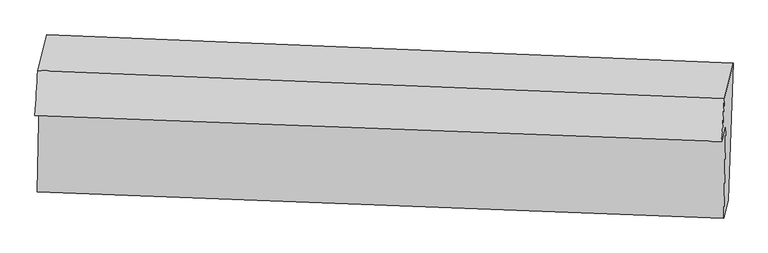
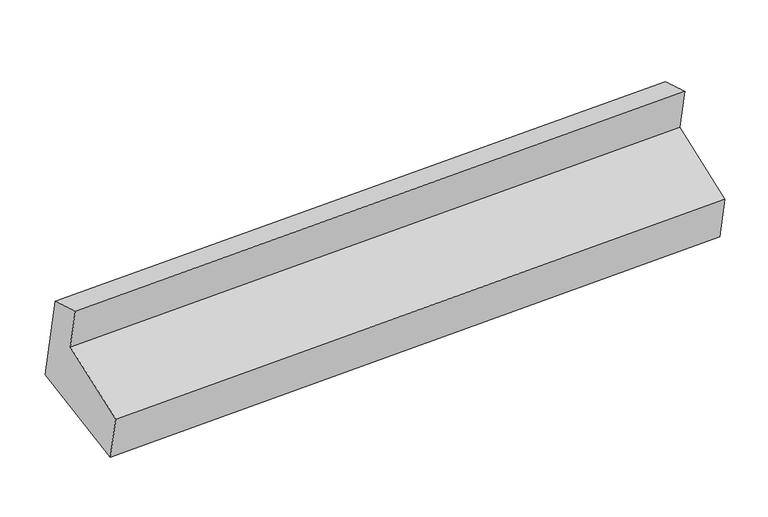
"""IFC4 building model written with IfcOpenShell, lengths in millimetres: proxy geometry."""

import ifcopenshell
import ifcopenshell.guid

model = None  # the IFC model being written
_history = None  # IfcOwnerHistory: only IFC2X3 demands one
_inside = {}  # id of a spatial element -> (the spatial element, [elements in it])
_under = {}  # id of a project, library or spatial element -> (it, [spatial elements below it])
_declared = {}  # id of a project -> (the project, [libraries it declares])
_typed = {}  # id of a type object -> (the type object, [elements of that type])
_made_of = {}  # id of a material, layer set ... -> (it, [elements and type objects made of it])


def new_model(schema):
    """Start an empty IFC model of exactly this schema.

    Asked for "IFC4X3", IfcOpenShell would pick the latest addendum, in which some entities
    have other attributes; the version numbers below select the first issue.
    IFC2X3 requires an IfcOwnerHistory on every rooted entity: one is made here for all.
    """
    global model, _history
    if schema == "IFC4X3":
        model = ifcopenshell.file(schema_version=(4, 3, 0, 0))
    else:
        model = ifcopenshell.file(schema=schema)
    _inside.clear()
    _under.clear()
    _declared.clear()
    _typed.clear()
    _made_of.clear()
    _history = None
    if model.schema == "IFC2X3":
        org = make("IfcOrganization", Name="unknown")
        user = make(
            "IfcPersonAndOrganization",
            ThePerson=make("IfcPerson", FamilyName="unknown"),
            TheOrganization=org,
        )
        app = make(
            "IfcApplication",
            ApplicationDeveloper=org,
            Version="unknown",
            ApplicationFullName="unknown",
            ApplicationIdentifier="unknown",
        )
        _history = make(
            "IfcOwnerHistory",
            OwningUser=user,
            OwningApplication=app,
            ChangeAction="ADDED",
            CreationDate=0,
        )
    return model


def make(cls, **values):
    """One entity of the class cls with the attributes given. An attribute that is None is left unset."""
    return model.create_entity(
        cls, **{name: value for name, value in values.items() if value is not None}
    )


def rooted(cls, **values):
    """An entity with a GlobalId (a new one), such as an element, a storey or a relation."""
    return make(cls, GlobalId=ifcopenshell.guid.new(), OwnerHistory=_history, **values)


def si_unit(unit_type, name, prefix=None):
    """IfcSIUnit, for example si_unit("LENGTHUNIT", "METRE", prefix="MILLI")."""
    return make("IfcSIUnit", UnitType=unit_type, Prefix=prefix, Name=name)


def assignment(units):
    """IfcUnitAssignment: the units of a project."""
    return None if units is None else make("IfcUnitAssignment", Units=units)


def point(xyz):
    """IfcCartesianPoint."""
    return None if xyz is None else make("IfcCartesianPoint", Coordinates=xyz)


def direction(xyz):
    """IfcDirection."""
    return None if xyz is None else make("IfcDirection", DirectionRatios=xyz)


def frame(location, z_axis=None, x_axis=None):
    """IfcAxis2Placement3D, a coordinate frame: its origin and axes. An axis left out is left unset."""
    return make(
        "IfcAxis2Placement3D",
        Location=point(location),
        Axis=direction(z_axis),
        RefDirection=direction(x_axis),
    )


def origin():
    """The frame at (0, 0, 0) with its axes left unset."""
    return frame((0.0, 0.0, 0.0))


def place(relative_to, where):
    """IfcLocalPlacement: puts the frame where relative to a parent placement (None: the world)."""
    return make(
        "IfcLocalPlacement", PlacementRelTo=relative_to, RelativePlacement=where
    )


def context(
    kind, dimensions, precision=None, world=None, true_north=None, identifier=None
):
    """IfcGeometricRepresentationContext, for example the 3D "Model" context."""
    return make(
        "IfcGeometricRepresentationContext",
        ContextIdentifier=identifier,
        ContextType=kind,
        CoordinateSpaceDimension=dimensions,
        Precision=precision,
        WorldCoordinateSystem=world,
        TrueNorth=true_north,
    )


def project(units=None, contexts=None):
    """IfcProject with its units and contexts."""
    return rooted(
        "IfcProject",
        Name="project",
        RepresentationContexts=contexts,
        UnitsInContext=assignment(units),
    )


def spatial(cls, under=None, at=None, **own):
    """A site, building, storey or space (cls), placed at a placement, below another one or the project."""
    s = rooted(cls, ObjectPlacement=at, **own)
    if under is not None:
        _under.setdefault(under.id(), (under, []))[1].append(s)
    return s


def shape(context_of_items, identifier, shape_type, items):
    """IfcShapeRepresentation: the items that make up one representation, for example the "Body"."""
    return make(
        "IfcShapeRepresentation",
        ContextOfItems=context_of_items,
        RepresentationIdentifier=identifier,
        RepresentationType=shape_type,
        Items=items,
    )


def source(mapping_origin, context_of_items, identifier, shape_type, items):
    """IfcRepresentationMap: a shape defined once, which mapped items show again and again."""
    return make(
        "IfcRepresentationMap",
        MappingOrigin=mapping_origin,
        MappedRepresentation=shape(context_of_items, identifier, shape_type, items),
    )


def transform(
    local_origin,
    x_axis=None,
    y_axis=None,
    z_axis=None,
    scale=None,
    scale2=None,
    scale3=None,
    uniform=True,
):
    """IfcCartesianTransformationOperator3D, or its non-uniform kind. x_axis, y_axis, z_axis: its Axis1, 2, 3."""
    if uniform:
        return make(
            "IfcCartesianTransformationOperator3D",
            Axis1=direction(x_axis),
            Axis2=direction(y_axis),
            LocalOrigin=point(local_origin),
            Scale=scale,
            Axis3=direction(z_axis),
        )
    return make(
        "IfcCartesianTransformationOperator3DnonUniform",
        Axis1=direction(x_axis),
        Axis2=direction(y_axis),
        LocalOrigin=point(local_origin),
        Scale=scale,
        Axis3=direction(z_axis),
        Scale2=scale2,
        Scale3=scale3,
    )


def mapped(mapping_source, mapping_target):
    """IfcMappedItem: shows the shape of a source again, moved by a transform."""
    return make(
        "IfcMappedItem", MappingSource=mapping_source, MappingTarget=mapping_target
    )


def made_of(thing, what):
    """Note that an element or type object is made of a material, layer set ...; save() writes the relation."""
    if what is not None:
        _made_of.setdefault(what.id(), (what, []))[1].append(thing)
    return thing


def element(
    cls,
    number,
    at=None,
    inside=None,
    cuts=None,
    type_object=None,
    material=None,
    context=None,
    identifier="Body",
    shape_type=None,
    held_by="IfcProductDefinitionShape",
    body=None,
    shapes=None,
    **own,
):
    """One element of the class cls, such as IfcWall. Its Tag is "e" and its number.

    at: its placement. inside: the storey or other place that contains it. cuts: it is an
    opening in that element (IfcRelVoidsElement). A single representation is given by context,
    identifier, shape_type and body (its items); several are given by shapes. held_by: the class
    of the entity that holds the representations. save() writes the other relations.
    """
    e = rooted(cls, Tag="e%d" % number, ObjectPlacement=at, **own)
    if body is not None:
        shapes = [shape(context, identifier, shape_type, body)]
    if shapes is not None:
        e.Representation = make(held_by, Representations=shapes)
    if inside is not None:
        _inside.setdefault(inside.id(), (inside, []))[1].append(e)
    if cuts is not None:
        rooted(
            "IfcRelVoidsElement", RelatingBuildingElement=cuts, RelatedOpeningElement=e
        )
    if type_object is not None:
        _typed.setdefault(type_object.id(), (type_object, []))[1].append(e)
    return made_of(e, material)


def aggregate(whole, parts):
    """IfcRelAggregates: a whole, such as a stair, and the parts it consists of."""
    return rooted("IfcRelAggregates", RelatingObject=whole, RelatedObjects=parts)


def save(model, path):
    """Write the relations noted so far, then the file.

    IfcRelAggregates (storeys below a building ...), IfcRelContainedInSpatialStructure (elements
    in a storey), IfcRelDefinesByType, IfcRelAssociatesMaterial and IfcRelDeclares: one each for
    every whole, place, type object, material and project.
    """
    for whole, parts in _under.values():
        aggregate(whole, parts)
    for where, things in _inside.values():
        rooted(
            "IfcRelContainedInSpatialStructure",
            RelatedElements=things,
            RelatingStructure=where,
        )
    for kind, things in _typed.values():
        rooted("IfcRelDefinesByType", RelatedObjects=things, RelatingType=kind)
    for what, things in _made_of.values():
        rooted("IfcRelAssociatesMaterial", RelatedObjects=things, RelatingMaterial=what)
    for by, libraries in _declared.values():
        rooted("IfcRelDeclares", RelatingContext=by, RelatedDefinitions=libraries)
    model.write(path)


def plane_surface(at):
    """IfcPlane: the flat surface through the origin of the frame at, square to its z axis."""
    return make("IfcPlane", Position=at)


def spline_surface(u_degree, v_degree, points, u_multiplicities, v_multiplicities, u_knots, v_knots, weights=None):
    """IfcBSplineSurfaceWithKnots; with weights, IfcRationalBSplineSurfaceWithKnots. points: one row for each step in u."""
    own = dict(
        UDegree=u_degree,
        VDegree=v_degree,
        ControlPointsList=[[point(p) for p in row] for row in points],
        SurfaceForm="UNSPECIFIED",
        UClosed=False,
        VClosed=False,
        SelfIntersect=False,
        UMultiplicities=u_multiplicities,
        VMultiplicities=v_multiplicities,
        UKnots=u_knots,
        VKnots=v_knots,
        KnotSpec="UNSPECIFIED",
    )
    if weights is None:
        return make("IfcBSplineSurfaceWithKnots", **own)
    return make("IfcRationalBSplineSurfaceWithKnots", WeightsData=weights, **own)


def advanced_brep(points, edges, surfaces, faces):
    """IfcAdvancedBrep: a solid bounded by faces that lie on surfaces and meet in shared edges.

    An edge is (start, end): straight between two places in points (the first is 0);
    or (start, end, curve); or (start, end, curve, False) where it runs against its curve.
    A face is (place in surfaces, loops), or (place, loops, False) where it looks against
    its surface's normal. A loop lists edges by number (the first is 1), with a minus sign
    where the edge is run from its end to its start. The first loop is the outer one.
    """
    corners = [point(p) for p in points]
    vertices = [make("IfcVertexPoint", VertexGeometry=c) for c in corners]
    made = []
    for start, end, *more in edges:
        made.append(
            make(
                "IfcEdgeCurve",
                EdgeStart=vertices[start],
                EdgeEnd=vertices[end],
                EdgeGeometry=more[0] if more else make("IfcPolyline", Points=[corners[start], corners[end]]),
                SameSense=more[1] if len(more) > 1 else True,
            )
        )
    hull = []
    for where, loops, *sense in faces:
        bounds = []
        for j, loop in enumerate(loops):
            ring = [make("IfcOrientedEdge", EdgeElement=made[abs(k) - 1], Orientation=k > 0) for k in loop]
            bounds.append(
                make(
                    "IfcFaceOuterBound" if j == 0 else "IfcFaceBound",
                    Bound=make("IfcEdgeLoop", EdgeList=ring),
                    Orientation=True,
                )
            )
        hull.append(make("IfcAdvancedFace", Bounds=bounds, FaceSurface=surfaces[where], SameSense=sense[0] if sense else True))
    return make("IfcAdvancedBrep", Outer=make("IfcClosedShell", CfsFaces=hull))


def generic_models_8e61e75d(model_context):
    return source(origin(), model_context, "Body", "AdvancedBrep", [
        advanced_brep(
        [(-5059.6561926, -899.0594651, 1403.6623285), (-5117.0086518, -1132.5262612, 2150.4993968), (-627.3593429, -1315.8466893, 2437.9693216), (-570.7378819, -1085.3555945, 1700.6512261), (-5092.4638397, -1806.7446453, 1306.0548388), (-602.5948104, -1980.5276871, 1596.5230943), (-5122.4727176, -1928.9029045, 1696.8269643), (-631.8726901, -2099.710245, 1977.776247), (-5108.2700825, -1312.4104096, 1890.6377563), (-617.6700551, -1483.21775, 2171.587039), (-5136.3624625, -1426.7671091, 2256.4534682), (-645.762435, -1597.5744496, 2537.4027509)],
        [
            (0, 1),
            (1, 2),
            (2, 3),
            (3, 0),
            (4, 0),
            (3, 5),
            (5, 4),
            (6, 4),
            (5, 7),
            (7, 6),
            (8, 6),
            (7, 9),
            (9, 8),
            (10, 8),
            (9, 11),
            (11, 10),
            (1, 10),
            (11, 2),
        ],
        [
            plane_surface(frame((-5088.3324222, -1015.7928632, 1777.0808626), z_axis=(0.019757520974439, 0.9538313994542511, 0.2996920115386625), x_axis=(-0.0730998128407643, -0.2975701362443992, 0.9518972798459585))),
            spline_surface(1, 1, [[(-5092.4638397, -1806.7446453, 1306.0548388), (-602.5948104, -1980.5276871, 1596.5230943)], [(-5059.6561926, -899.0594651, 1403.6623285), (-570.7378819, -1085.3555945, 1700.6512261)]], [2, 2], [2, 2], [0.0, 1.0], [0.0, 1.0]),
            plane_surface(frame((-5107.4682787, -1867.8237749, 1501.4409015), z_axis=(-0.017542920105670677, -0.9539194711862676, -0.29954947578968927), x_axis=(0.07309981284076457, 0.2975701362443993, -0.9518972798459584))),
            plane_surface(frame((-5115.3714001, -1620.656657, 1793.7323603), z_axis=(-0.07088516148331754, -0.29766453203428295, 0.9520352515796333), x_axis=(-0.02197204623477258, -0.9537386219816959, -0.29983307043205376))),
            plane_surface(frame((-5122.3162725, -1369.5887593, 2073.5456122), z_axis=(-0.017542920105670805, -0.9539194711862675, -0.2995494757896896), x_axis=(0.07309981284074175, 0.2975701362444005, -0.9518972798459598))),
            spline_surface(1, 1, [[(-5117.0086518, -1132.5262612, 2150.4993968), (-627.3593429, -1315.8466893, 2437.9693216)], [(-5136.3624625, -1426.7671091, 2256.4534682), (-645.762435, -1597.5744496, 2537.4027509)]], [2, 2], [2, 2], [0.0, 1.0], [0.0, 1.0]),
            plane_surface(frame((-615.9995359, -1593.7054026, 2070.3182798), z_axis=(0.997082567567452, -0.042832872375584564, 0.06317988997422117), x_axis=(-0.02197204623477258, -0.9537386219816959, -0.29983307043205376))),
            plane_surface(frame((-5106.0389911, -1417.7351325, 1784.0224588), z_axis=(-0.9970825675674517, 0.04283287237559355, -0.06317988997421897), x_axis=(0.07309981284076517, 0.2975701362443988, -0.9518972798459585))),
        ],
        [
            (0, [[1, 2, 3, 4]]),
            (1, [[5, -4, 6, 7]]),
            (2, [[8, -7, 9, 10]]),
            (3, [[11, -10, 12, 13]]),
            (4, [[14, -13, 15, 16]]),
            (5, [[17, -16, 18, -2]]),
            (6, [[-12, -9, -6, -3, -18, -15]]),
            (7, [[-1, -5, -8, -11, -14, -17]]),
        ],
    ),
    ])


if __name__ == "__main__":
    model = new_model("IFC4")
    model_context = context("Model", 3, world=origin())
    ifc_project = project(units=[si_unit("LENGTHUNIT", "METRE", prefix="MILLI")], contexts=[model_context])
    site = spatial("IfcSite", under=ifc_project)
    building = spatial("IfcBuilding", under=site)
    placement = place(None, origin())
    generic_models_shape = generic_models_8e61e75d(model_context)
    element("IfcBuildingElementProxy", 1, Name="Generic Models", at=placement, inside=building, context=model_context, shape_type="MappedRepresentation", body=[
        mapped(generic_models_shape, transform((0.0, 0.0, 0.0), x_axis=(1.0, 0.0, 0.0), y_axis=(0.0, 1.0, 0.0), z_axis=(0.0, 0.0, 1.0))),
    ])
    save(model, "model.ifc")
